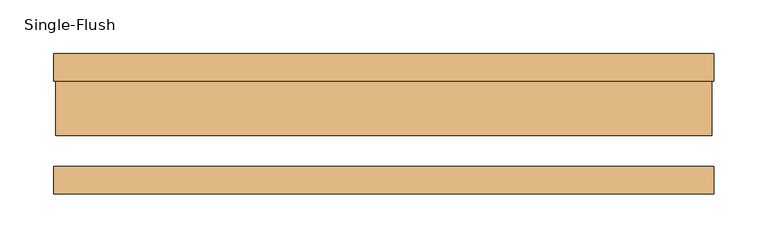
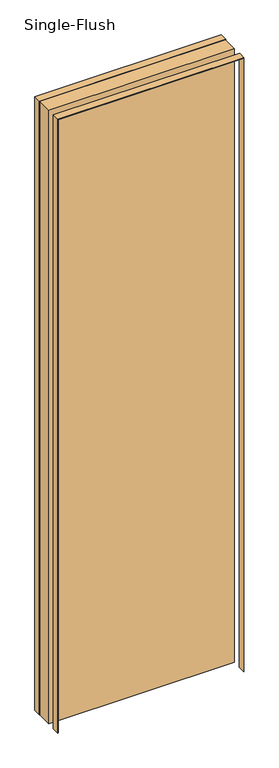
"""IFC4 building model written with IfcOpenShell, lengths in millimetres: door geometry, Single-Flush."""

import ifcopenshell
import ifcopenshell.guid

model = None  # the IFC model being written
_history = None  # IfcOwnerHistory: only IFC2X3 demands one
_inside = {}  # id of a spatial element -> (the spatial element, [elements in it])
_under = {}  # id of a project, library or spatial element -> (it, [spatial elements below it])
_declared = {}  # id of a project -> (the project, [libraries it declares])
_typed = {}  # id of a type object -> (the type object, [elements of that type])
_made_of = {}  # id of a material, layer set ... -> (it, [elements and type objects made of it])


def new_model(schema):
    """Start an empty IFC model of exactly this schema.

    Asked for "IFC4X3", IfcOpenShell would pick the latest addendum, in which some entities
    have other attributes; the version numbers below select the first issue.
    IFC2X3 requires an IfcOwnerHistory on every rooted entity: one is made here for all.
    """
    global model, _history
    if schema == "IFC4X3":
        model = ifcopenshell.file(schema_version=(4, 3, 0, 0))
    else:
        model = ifcopenshell.file(schema=schema)
    _inside.clear()
    _under.clear()
    _declared.clear()
    _typed.clear()
    _made_of.clear()
    _history = None
    if model.schema == "IFC2X3":
        org = make("IfcOrganization", Name="unknown")
        user = make(
            "IfcPersonAndOrganization",
            ThePerson=make("IfcPerson", FamilyName="unknown"),
            TheOrganization=org,
        )
        app = make(
            "IfcApplication",
            ApplicationDeveloper=org,
            Version="unknown",
            ApplicationFullName="unknown",
            ApplicationIdentifier="unknown",
        )
        _history = make(
            "IfcOwnerHistory",
            OwningUser=user,
            OwningApplication=app,
            ChangeAction="ADDED",
            CreationDate=0,
        )
    return model


def make(cls, **values):
    """One entity of the class cls with the attributes given. An attribute that is None is left unset."""
    return model.create_entity(
        cls, **{name: value for name, value in values.items() if value is not None}
    )


def rooted(cls, **values):
    """An entity with a GlobalId (a new one), such as an element, a storey or a relation."""
    return make(cls, GlobalId=ifcopenshell.guid.new(), OwnerHistory=_history, **values)


def si_unit(unit_type, name, prefix=None):
    """IfcSIUnit, for example si_unit("LENGTHUNIT", "METRE", prefix="MILLI")."""
    return make("IfcSIUnit", UnitType=unit_type, Prefix=prefix, Name=name)


def assignment(units):
    """IfcUnitAssignment: the units of a project."""
    return None if units is None else make("IfcUnitAssignment", Units=units)


def point(xyz):
    """IfcCartesianPoint."""
    return None if xyz is None else make("IfcCartesianPoint", Coordinates=xyz)


def direction(xyz):
    """IfcDirection."""
    return None if xyz is None else make("IfcDirection", DirectionRatios=xyz)


def frame(location, z_axis=None, x_axis=None):
    """IfcAxis2Placement3D, a coordinate frame: its origin and axes. An axis left out is left unset."""
    return make(
        "IfcAxis2Placement3D",
        Location=point(location),
        Axis=direction(z_axis),
        RefDirection=direction(x_axis),
    )


def origin():
    """The frame at (0, 0, 0) with its axes left unset."""
    return frame((0.0, 0.0, 0.0))


def origin_with_axes():
    """The frame at (0, 0, 0) with the z axis (0, 0, 1) and the x axis (1, 0, 0) written out."""
    return frame((0.0, 0.0, 0.0), z_axis=(0.0, 0.0, 1.0), x_axis=(1.0, 0.0, 0.0))


def place(relative_to, where):
    """IfcLocalPlacement: puts the frame where relative to a parent placement (None: the world)."""
    return make(
        "IfcLocalPlacement", PlacementRelTo=relative_to, RelativePlacement=where
    )


def context(
    kind, dimensions, precision=None, world=None, true_north=None, identifier=None
):
    """IfcGeometricRepresentationContext, for example the 3D "Model" context."""
    return make(
        "IfcGeometricRepresentationContext",
        ContextIdentifier=identifier,
        ContextType=kind,
        CoordinateSpaceDimension=dimensions,
        Precision=precision,
        WorldCoordinateSystem=world,
        TrueNorth=true_north,
    )


def project(units=None, contexts=None):
    """IfcProject with its units and contexts."""
    return rooted(
        "IfcProject",
        Name="project",
        RepresentationContexts=contexts,
        UnitsInContext=assignment(units),
    )


def spatial(cls, under=None, at=None, **own):
    """A site, building, storey or space (cls), placed at a placement, below another one or the project."""
    s = rooted(cls, ObjectPlacement=at, **own)
    if under is not None:
        _under.setdefault(under.id(), (under, []))[1].append(s)
    return s


def polyline(points):
    """IfcPolyline through the points."""
    return make("IfcPolyline", Points=[point(p) for p in points])


def outline(outer, holes=None, kind="AREA"):
    """IfcArbitraryClosedProfileDef: a profile drawn as a closed curve; with holes, ...WithVoids."""
    if holes is None:
        return make("IfcArbitraryClosedProfileDef", ProfileType=kind, OuterCurve=outer)
    return make(
        "IfcArbitraryProfileDefWithVoids",
        ProfileType=kind,
        OuterCurve=outer,
        InnerCurves=holes,
    )


def extrude(swept, where, along, depth):
    """IfcExtrudedAreaSolid: the profile swept, set in the frame where, extruded along a direction by depth."""
    return make(
        "IfcExtrudedAreaSolid",
        SweptArea=swept,
        Position=where,
        ExtrudedDirection=direction(along),
        Depth=depth,
    )


def shape(context_of_items, identifier, shape_type, items):
    """IfcShapeRepresentation: the items that make up one representation, for example the "Body"."""
    return make(
        "IfcShapeRepresentation",
        ContextOfItems=context_of_items,
        RepresentationIdentifier=identifier,
        RepresentationType=shape_type,
        Items=items,
    )


def source(mapping_origin, context_of_items, identifier, shape_type, items):
    """IfcRepresentationMap: a shape defined once, which mapped items show again and again."""
    return make(
        "IfcRepresentationMap",
        MappingOrigin=mapping_origin,
        MappedRepresentation=shape(context_of_items, identifier, shape_type, items),
    )


def transform(
    local_origin,
    x_axis=None,
    y_axis=None,
    z_axis=None,
    scale=None,
    scale2=None,
    scale3=None,
    uniform=True,
):
    """IfcCartesianTransformationOperator3D, or its non-uniform kind. x_axis, y_axis, z_axis: its Axis1, 2, 3."""
    if uniform:
        return make(
            "IfcCartesianTransformationOperator3D",
            Axis1=direction(x_axis),
            Axis2=direction(y_axis),
            LocalOrigin=point(local_origin),
            Scale=scale,
            Axis3=direction(z_axis),
        )
    return make(
        "IfcCartesianTransformationOperator3DnonUniform",
        Axis1=direction(x_axis),
        Axis2=direction(y_axis),
        LocalOrigin=point(local_origin),
        Scale=scale,
        Axis3=direction(z_axis),
        Scale2=scale2,
        Scale3=scale3,
    )


def mapped(mapping_source, mapping_target):
    """IfcMappedItem: shows the shape of a source again, moved by a transform."""
    return make(
        "IfcMappedItem", MappingSource=mapping_source, MappingTarget=mapping_target
    )


def made_of(thing, what):
    """Note that an element or type object is made of a material, layer set ...; save() writes the relation."""
    if what is not None:
        _made_of.setdefault(what.id(), (what, []))[1].append(thing)
    return thing


def element(
    cls,
    number,
    at=None,
    inside=None,
    cuts=None,
    type_object=None,
    material=None,
    context=None,
    identifier="Body",
    shape_type=None,
    held_by="IfcProductDefinitionShape",
    body=None,
    shapes=None,
    **own,
):
    """One element of the class cls, such as IfcWall. Its Tag is "e" and its number.

    at: its placement. inside: the storey or other place that contains it. cuts: it is an
    opening in that element (IfcRelVoidsElement). A single representation is given by context,
    identifier, shape_type and body (its items); several are given by shapes. held_by: the class
    of the entity that holds the representations. save() writes the other relations.
    """
    e = rooted(cls, Tag="e%d" % number, ObjectPlacement=at, **own)
    if body is not None:
        shapes = [shape(context, identifier, shape_type, body)]
    if shapes is not None:
        e.Representation = make(held_by, Representations=shapes)
    if inside is not None:
        _inside.setdefault(inside.id(), (inside, []))[1].append(e)
    if cuts is not None:
        rooted(
            "IfcRelVoidsElement", RelatingBuildingElement=cuts, RelatedOpeningElement=e
        )
    if type_object is not None:
        _typed.setdefault(type_object.id(), (type_object, []))[1].append(e)
    return made_of(e, material)


def aggregate(whole, parts):
    """IfcRelAggregates: a whole, such as a stair, and the parts it consists of."""
    return rooted("IfcRelAggregates", RelatingObject=whole, RelatedObjects=parts)


def save(model, path):
    """Write the relations noted so far, then the file.

    IfcRelAggregates (storeys below a building ...), IfcRelContainedInSpatialStructure (elements
    in a storey), IfcRelDefinesByType, IfcRelAssociatesMaterial and IfcRelDeclares: one each for
    every whole, place, type object, material and project.
    """
    for whole, parts in _under.values():
        aggregate(whole, parts)
    for where, things in _inside.values():
        rooted(
            "IfcRelContainedInSpatialStructure",
            RelatedElements=things,
            RelatingStructure=where,
        )
    for kind, things in _typed.values():
        rooted("IfcRelDefinesByType", RelatedObjects=things, RelatingType=kind)
    for what, things in _made_of.values():
        rooted("IfcRelAssociatesMaterial", RelatedObjects=things, RelatingMaterial=what)
    for by, libraries in _declared.values():
        rooted("IfcRelDeclares", RelatingContext=by, RelatedDefinitions=libraries)
    model.write(path)


def single_flush_aa2ddddb(model_context):
    return source(origin(), model_context, "Body", "SweptSolid", [
        extrude(outline(polyline([(2135.1875, -306.3875), (0.0, -306.3875), (0.0, -304.8), (2133.6, -304.8), (2133.6, 304.8), (0.0, 304.8), (0.0, 306.3875), (2135.1875, 306.3875), (2135.1875, -306.3875)])), frame((0.0, 39.6875, 0.0), z_axis=(0.0, 1.0, 0.0), x_axis=(0.0, 0.0, 1.0)), (0.0, 0.0, 1.0), 25.4),
        extrude(outline(polyline([(2135.1875, 306.3875), (2135.1875, -306.3875), (0.0, -306.3875), (0.0, -304.8), (2133.6, -304.8), (2133.6, 304.8), (0.0, 304.8), (0.0, 306.3875), (2135.1875, 306.3875)])), frame((0.0, -65.0875, 0.0), z_axis=(0.0, 1.0, 0.0), x_axis=(0.0, 0.0, 1.0)), (0.0, 0.0, 1.0), 25.4),
        extrude(outline(polyline([(304.8, -11.1125), (-304.8, -11.1125), (-304.8, 39.6875), (304.8, 39.6875), (304.8, -11.1125)])), origin_with_axes(), (0.0, 0.0, 1.0), 2133.6),
    ])


if __name__ == "__main__":
    model = new_model("IFC4")
    model_context = context("Model", 3, world=origin())
    ifc_project = project(units=[si_unit("LENGTHUNIT", "METRE", prefix="MILLI")], contexts=[model_context])
    site = spatial("IfcSite", under=ifc_project)
    building = spatial("IfcBuilding", under=site)
    placement = place(None, origin())
    single_flush_shape = single_flush_aa2ddddb(model_context)
    element("IfcDoor", 1, ObjectType="Single-Flush", at=placement, inside=building, context=model_context, shape_type="MappedRepresentation", body=[
        mapped(single_flush_shape, transform((0.0, 0.0, 0.0), x_axis=(1.0, 0.0, 0.0), y_axis=(0.0, 1.0, 0.0), z_axis=(0.0, 0.0, 1.0))),
    ])
    save(model, "model.ifc")
